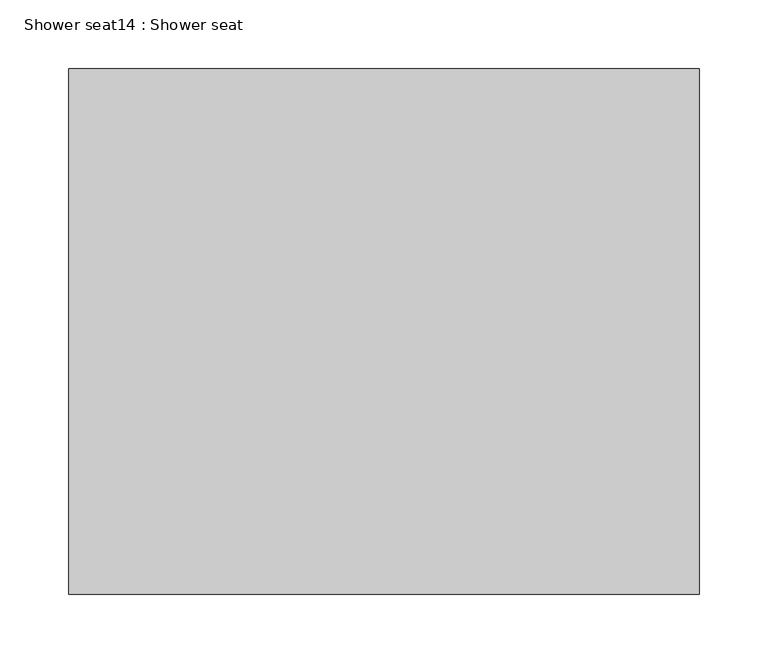
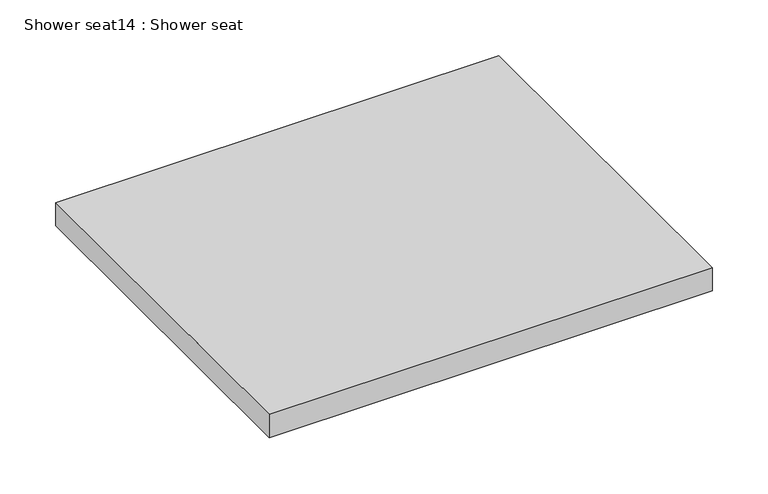
"""IFC4 building model written with IfcOpenShell, lengths in millimetres: proxy geometry, Shower seat14 : Shower seat."""

import ifcopenshell
import ifcopenshell.guid

model = None  # the IFC model being written
_history = None  # IfcOwnerHistory: only IFC2X3 demands one
_inside = {}  # id of a spatial element -> (the spatial element, [elements in it])
_under = {}  # id of a project, library or spatial element -> (it, [spatial elements below it])
_declared = {}  # id of a project -> (the project, [libraries it declares])
_typed = {}  # id of a type object -> (the type object, [elements of that type])
_made_of = {}  # id of a material, layer set ... -> (it, [elements and type objects made of it])


def new_model(schema):
    """Start an empty IFC model of exactly this schema.

    Asked for "IFC4X3", IfcOpenShell would pick the latest addendum, in which some entities
    have other attributes; the version numbers below select the first issue.
    IFC2X3 requires an IfcOwnerHistory on every rooted entity: one is made here for all.
    """
    global model, _history
    if schema == "IFC4X3":
        model = ifcopenshell.file(schema_version=(4, 3, 0, 0))
    else:
        model = ifcopenshell.file(schema=schema)
    _inside.clear()
    _under.clear()
    _declared.clear()
    _typed.clear()
    _made_of.clear()
    _history = None
    if model.schema == "IFC2X3":
        org = make("IfcOrganization", Name="unknown")
        user = make(
            "IfcPersonAndOrganization",
            ThePerson=make("IfcPerson", FamilyName="unknown"),
            TheOrganization=org,
        )
        app = make(
            "IfcApplication",
            ApplicationDeveloper=org,
            Version="unknown",
            ApplicationFullName="unknown",
            ApplicationIdentifier="unknown",
        )
        _history = make(
            "IfcOwnerHistory",
            OwningUser=user,
            OwningApplication=app,
            ChangeAction="ADDED",
            CreationDate=0,
        )
    return model


def make(cls, **values):
    """One entity of the class cls with the attributes given. An attribute that is None is left unset."""
    return model.create_entity(
        cls, **{name: value for name, value in values.items() if value is not None}
    )


def rooted(cls, **values):
    """An entity with a GlobalId (a new one), such as an element, a storey or a relation."""
    return make(cls, GlobalId=ifcopenshell.guid.new(), OwnerHistory=_history, **values)


def si_unit(unit_type, name, prefix=None):
    """IfcSIUnit, for example si_unit("LENGTHUNIT", "METRE", prefix="MILLI")."""
    return make("IfcSIUnit", UnitType=unit_type, Prefix=prefix, Name=name)


def assignment(units):
    """IfcUnitAssignment: the units of a project."""
    return None if units is None else make("IfcUnitAssignment", Units=units)


def point(xyz):
    """IfcCartesianPoint."""
    return None if xyz is None else make("IfcCartesianPoint", Coordinates=xyz)


def direction(xyz):
    """IfcDirection."""
    return None if xyz is None else make("IfcDirection", DirectionRatios=xyz)


def frame(location, z_axis=None, x_axis=None):
    """IfcAxis2Placement3D, a coordinate frame: its origin and axes. An axis left out is left unset."""
    return make(
        "IfcAxis2Placement3D",
        Location=point(location),
        Axis=direction(z_axis),
        RefDirection=direction(x_axis),
    )


def origin():
    """The frame at (0, 0, 0) with its axes left unset."""
    return frame((0.0, 0.0, 0.0))


def place(relative_to, where):
    """IfcLocalPlacement: puts the frame where relative to a parent placement (None: the world)."""
    return make(
        "IfcLocalPlacement", PlacementRelTo=relative_to, RelativePlacement=where
    )


def context(
    kind, dimensions, precision=None, world=None, true_north=None, identifier=None
):
    """IfcGeometricRepresentationContext, for example the 3D "Model" context."""
    return make(
        "IfcGeometricRepresentationContext",
        ContextIdentifier=identifier,
        ContextType=kind,
        CoordinateSpaceDimension=dimensions,
        Precision=precision,
        WorldCoordinateSystem=world,
        TrueNorth=true_north,
    )


def project(units=None, contexts=None):
    """IfcProject with its units and contexts."""
    return rooted(
        "IfcProject",
        Name="project",
        RepresentationContexts=contexts,
        UnitsInContext=assignment(units),
    )


def spatial(cls, under=None, at=None, **own):
    """A site, building, storey or space (cls), placed at a placement, below another one or the project."""
    s = rooted(cls, ObjectPlacement=at, **own)
    if under is not None:
        _under.setdefault(under.id(), (under, []))[1].append(s)
    return s


def polyline(points):
    """IfcPolyline through the points."""
    return make("IfcPolyline", Points=[point(p) for p in points])


def outline(outer, holes=None, kind="AREA"):
    """IfcArbitraryClosedProfileDef: a profile drawn as a closed curve; with holes, ...WithVoids."""
    if holes is None:
        return make("IfcArbitraryClosedProfileDef", ProfileType=kind, OuterCurve=outer)
    return make(
        "IfcArbitraryProfileDefWithVoids",
        ProfileType=kind,
        OuterCurve=outer,
        InnerCurves=holes,
    )


def extrude(swept, where, along, depth):
    """IfcExtrudedAreaSolid: the profile swept, set in the frame where, extruded along a direction by depth."""
    return make(
        "IfcExtrudedAreaSolid",
        SweptArea=swept,
        Position=where,
        ExtrudedDirection=direction(along),
        Depth=depth,
    )


def shape(context_of_items, identifier, shape_type, items):
    """IfcShapeRepresentation: the items that make up one representation, for example the "Body"."""
    return make(
        "IfcShapeRepresentation",
        ContextOfItems=context_of_items,
        RepresentationIdentifier=identifier,
        RepresentationType=shape_type,
        Items=items,
    )


def source(mapping_origin, context_of_items, identifier, shape_type, items):
    """IfcRepresentationMap: a shape defined once, which mapped items show again and again."""
    return make(
        "IfcRepresentationMap",
        MappingOrigin=mapping_origin,
        MappedRepresentation=shape(context_of_items, identifier, shape_type, items),
    )


def transform(
    local_origin,
    x_axis=None,
    y_axis=None,
    z_axis=None,
    scale=None,
    scale2=None,
    scale3=None,
    uniform=True,
):
    """IfcCartesianTransformationOperator3D, or its non-uniform kind. x_axis, y_axis, z_axis: its Axis1, 2, 3."""
    if uniform:
        return make(
            "IfcCartesianTransformationOperator3D",
            Axis1=direction(x_axis),
            Axis2=direction(y_axis),
            LocalOrigin=point(local_origin),
            Scale=scale,
            Axis3=direction(z_axis),
        )
    return make(
        "IfcCartesianTransformationOperator3DnonUniform",
        Axis1=direction(x_axis),
        Axis2=direction(y_axis),
        LocalOrigin=point(local_origin),
        Scale=scale,
        Axis3=direction(z_axis),
        Scale2=scale2,
        Scale3=scale3,
    )


def mapped(mapping_source, mapping_target):
    """IfcMappedItem: shows the shape of a source again, moved by a transform."""
    return make(
        "IfcMappedItem", MappingSource=mapping_source, MappingTarget=mapping_target
    )


def made_of(thing, what):
    """Note that an element or type object is made of a material, layer set ...; save() writes the relation."""
    if what is not None:
        _made_of.setdefault(what.id(), (what, []))[1].append(thing)
    return thing


def element(
    cls,
    number,
    at=None,
    inside=None,
    cuts=None,
    type_object=None,
    material=None,
    context=None,
    identifier="Body",
    shape_type=None,
    held_by="IfcProductDefinitionShape",
    body=None,
    shapes=None,
    **own,
):
    """One element of the class cls, such as IfcWall. Its Tag is "e" and its number.

    at: its placement. inside: the storey or other place that contains it. cuts: it is an
    opening in that element (IfcRelVoidsElement). A single representation is given by context,
    identifier, shape_type and body (its items); several are given by shapes. held_by: the class
    of the entity that holds the representations. save() writes the other relations.
    """
    e = rooted(cls, Tag="e%d" % number, ObjectPlacement=at, **own)
    if body is not None:
        shapes = [shape(context, identifier, shape_type, body)]
    if shapes is not None:
        e.Representation = make(held_by, Representations=shapes)
    if inside is not None:
        _inside.setdefault(inside.id(), (inside, []))[1].append(e)
    if cuts is not None:
        rooted(
            "IfcRelVoidsElement", RelatingBuildingElement=cuts, RelatedOpeningElement=e
        )
    if type_object is not None:
        _typed.setdefault(type_object.id(), (type_object, []))[1].append(e)
    return made_of(e, material)


def aggregate(whole, parts):
    """IfcRelAggregates: a whole, such as a stair, and the parts it consists of."""
    return rooted("IfcRelAggregates", RelatingObject=whole, RelatedObjects=parts)


def save(model, path):
    """Write the relations noted so far, then the file.

    IfcRelAggregates (storeys below a building ...), IfcRelContainedInSpatialStructure (elements
    in a storey), IfcRelDefinesByType, IfcRelAssociatesMaterial and IfcRelDeclares: one each for
    every whole, place, type object, material and project.
    """
    for whole, parts in _under.values():
        aggregate(whole, parts)
    for where, things in _inside.values():
        rooted(
            "IfcRelContainedInSpatialStructure",
            RelatedElements=things,
            RelatingStructure=where,
        )
    for kind, things in _typed.values():
        rooted("IfcRelDefinesByType", RelatedObjects=things, RelatingType=kind)
    for what, things in _made_of.values():
        rooted("IfcRelAssociatesMaterial", RelatedObjects=things, RelatingMaterial=what)
    for by, libraries in _declared.values():
        rooted("IfcRelDeclares", RelatingContext=by, RelatedDefinitions=libraries)
    model.write(path)


def shower_seat14_shower_seat_059933c4(model_context):
    return source(origin(), model_context, "Body", "SweptSolid", [
        extrude(outline(polyline([(-553398.8161301, -109392.2521407), (-552941.6161301, -109392.2521407), (-552941.6161301, -109773.2521407), (-553398.8161301, -109773.2521407), (-553398.8161301, -109392.2521407)])), frame((0.0, 0.0, 457.2), z_axis=(0.0, 0.0, 1.0), x_axis=(1.0, 0.0, 0.0)), (0.0, 0.0, 1.0), 25.4),
    ])


if __name__ == "__main__":
    model = new_model("IFC4")
    model_context = context("Model", 3, world=origin())
    ifc_project = project(units=[si_unit("LENGTHUNIT", "METRE", prefix="MILLI")], contexts=[model_context])
    site = spatial("IfcSite", under=ifc_project)
    building = spatial("IfcBuilding", under=site)
    placement = place(None, origin())
    shower_seat14_shower_seat_shape = shower_seat14_shower_seat_059933c4(model_context)
    element("IfcBuildingElementProxy", 1, Name="Shower seat14 : Shower seat", ObjectType="Shower seat14 : Shower seat", at=placement, inside=building, context=model_context, shape_type="MappedRepresentation", body=[
        mapped(shower_seat14_shower_seat_shape, transform((0.0, 0.0, 0.0), x_axis=(1.0, 0.0, 0.0), y_axis=(0.0, 1.0, 0.0), z_axis=(0.0, 0.0, 1.0))),
    ])
    save(model, "model.ifc")
